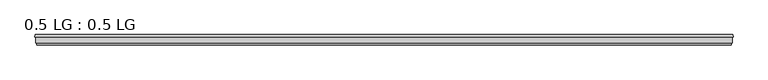
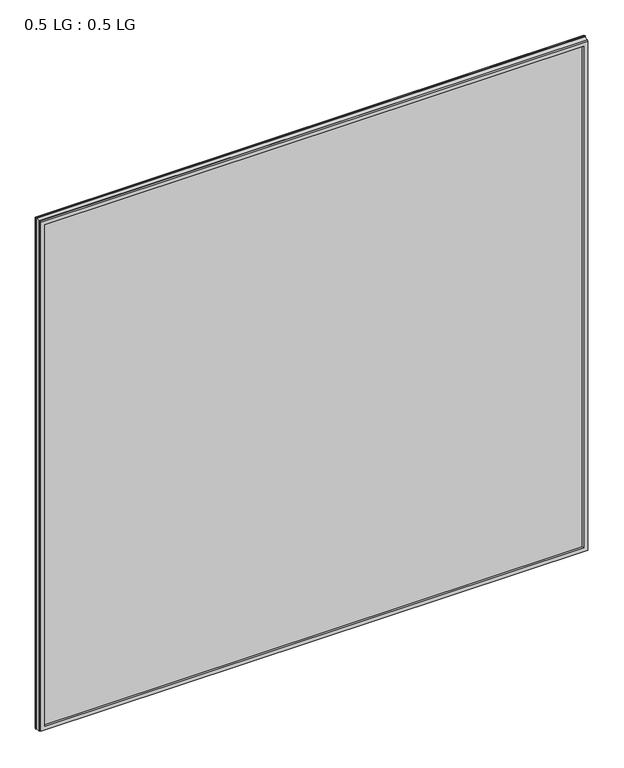
"""IFC4 building model written with IfcOpenShell, lengths in millimetres: plate geometry, 0.5 LG : 0.5 LG."""

from ifc_helpers import new_model, si_unit, origin, origin_with_axes, place, context, project, spatial, polyline, outline, extrude, faceted_brep, source, transform, mapped, element, save


def plate_0_5_lg_0_5_lg_7df994cc(model_context):
    return source(origin(), model_context, "Body", "SolidModel", [
        faceted_brep([(-776.6754633, 33.6565875, 1527.5756633), (-775.4871801, 38.3301948, 1526.3873801), (-775.4871801, 38.3301948, -0.7871801), (-776.6754633, 33.6565875, -1.9754633), (-764.3623956, 38.3301948, 1515.2625956), (-763.1742356, 33.6565875, 1514.0744356), (-763.1742356, 33.6565875, 11.5257644), (-764.3623956, 38.3301948, 10.3376044), (775.4871801, 38.3301948, -0.7871801), (776.6754633, 33.6565875, -1.9754633), (763.1742356, 33.6565875, 11.5257644), (764.3623956, 38.3301948, 10.3376044), (775.4871801, 38.3301948, 1526.3873801), (776.6754633, 33.6565875, 1527.5756633), (763.1742356, 33.6565875, 1514.0744356), (764.3623956, 38.3301948, 1515.2625956)], [[[0, 1, 2, 3]], [[4, 5, 6, 7]], [[3, 2, 8, 9]], [[7, 6, 10, 11]], [[9, 8, 12, 13]], [[11, 10, 14, 15]], [[1, 12, 8, 2], [7, 11, 15, 4]], [[13, 12, 1, 0]], [[3, 9, 13, 0], [5, 14, 10, 6]], [[15, 14, 5, 4]]]),
        faceted_brep([(-760.5786419, 20.0421875, 1511.4788419), (-761.6441159, 15.8512075, 1512.5443159), (-761.6441159, 15.8512075, 13.0558841), (-760.5786419, 20.0421875, 14.1213581), (-772.7695018, 15.8512075, 1523.6697018), (-773.8347832, 20.0421875, 1524.7349832), (-773.8347832, 20.0421875, 0.8652168), (-772.7695018, 15.8512075, 1.9304982), (761.6441159, 15.8512075, 13.0558841), (760.5786419, 20.0421875, 14.1213581), (773.8347832, 20.0421875, 0.8652168), (772.7695018, 15.8512075, 1.9304982), (761.6441159, 15.8512075, 1512.5443159), (760.5786419, 20.0421875, 1511.4788419), (773.8347832, 20.0421875, 1524.7349832), (772.7695018, 15.8512075, 1523.6697018)], [[[0, 1, 2, 3]], [[4, 5, 6, 7]], [[3, 2, 8, 9]], [[7, 6, 10, 11]], [[9, 8, 12, 13]], [[11, 10, 14, 15]], [[13, 12, 1, 0]], [[5, 14, 10, 6], [3, 9, 13, 0]], [[15, 14, 5, 4]], [[7, 11, 15, 4], [1, 12, 8, 2]]]),
        extrude(outline(polyline([(774.7, 33.6565875), (774.7, 20.0421875), (-774.7, 20.0421875), (-774.7, 33.6565875), (774.7, 33.6565875)])), origin_with_axes(), (0.0, 0.0, 1.0), 1525.6002),
    ])


if __name__ == "__main__":
    model = new_model("IFC4")
    model_context = context("Model", 3, world=origin())
    ifc_project = project(units=[si_unit("LENGTHUNIT", "METRE", prefix="MILLI")], contexts=[model_context])
    site = spatial("IfcSite", under=ifc_project)
    building = spatial("IfcBuilding", under=site)
    placement = place(None, origin())
    plate_0_5_lg_0_5_lg_shape = plate_0_5_lg_0_5_lg_7df994cc(model_context)
    element("IfcPlate", 1, ObjectType="0.5 LG : 0.5 LG", at=placement, inside=building, context=model_context, shape_type="MappedRepresentation", body=[
        mapped(plate_0_5_lg_0_5_lg_shape, transform((0.0, 0.0, 0.0), x_axis=(1.0, 0.0, 0.0), y_axis=(0.0, 1.0, 0.0), z_axis=(0.0, 0.0, 1.0))),
    ])
    save(model, "model.ifc")
